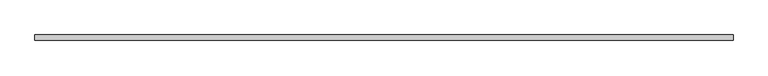
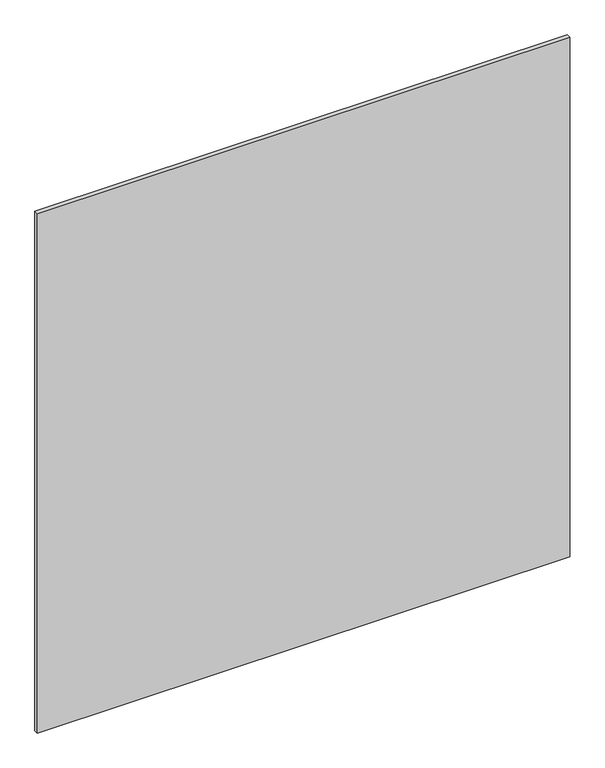
"""IFC4 building model written with IfcOpenShell, lengths in millimetres: plate geometry."""

from ifc_helpers import new_model, si_unit, origin, origin_with_axes, place, context, project, spatial, polyline, outline, extrude, source, transform, mapped, element, save


def plate_8a68beb5(model_context):
    return source(origin(), model_context, "Body", "SweptSolid", [
        extrude(outline(polyline([(627.75, 5.0), (627.75, -5.0), (-627.75, -5.0), (-627.75, 5.0), (627.75, 5.0)])), origin_with_axes(), (0.0, 0.0, 1.0), 1295.5),
    ])


if __name__ == "__main__":
    model = new_model("IFC4")
    model_context = context("Model", 3, world=origin())
    ifc_project = project(units=[si_unit("LENGTHUNIT", "METRE", prefix="MILLI")], contexts=[model_context])
    site = spatial("IfcSite", under=ifc_project)
    building = spatial("IfcBuilding", under=site)
    placement = place(None, origin())
    plate_shape = plate_8a68beb5(model_context)
    element("IfcPlate", 1, at=placement, inside=building, context=model_context, shape_type="MappedRepresentation", body=[
        mapped(plate_shape, transform((0.0, 0.0, 0.0), x_axis=(1.0, 0.0, 0.0), y_axis=(0.0, 1.0, 0.0), z_axis=(0.0, 0.0, 1.0))),
    ])
    save(model, "model.ifc")
